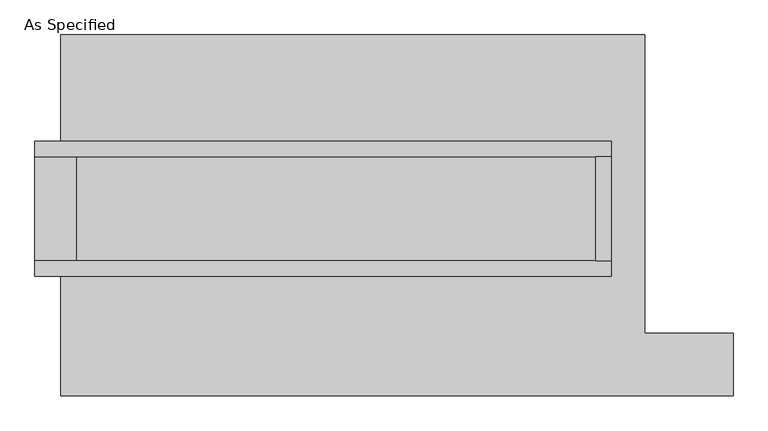
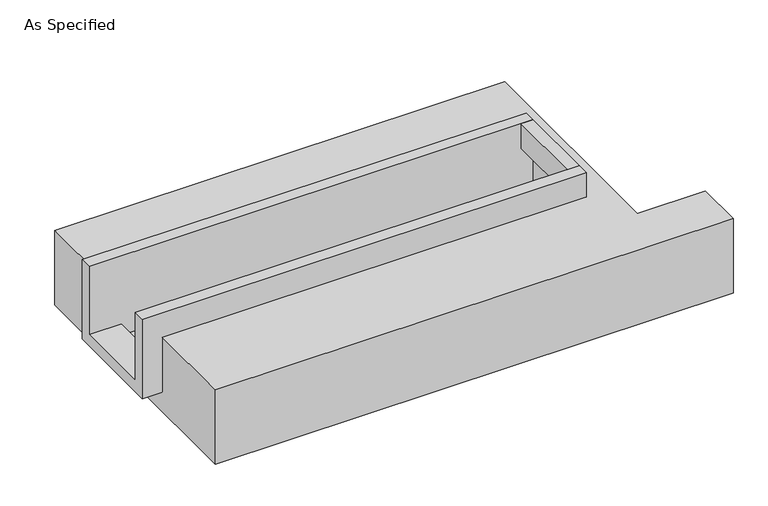
"""IFC4 building model written with IfcOpenShell, lengths in millimetres: proxy geometry, As Specified."""

from ifc_helpers import new_model, si_unit, frame, origin, place, context, project, spatial, polyline, outline, extrude, faceted_brep, source, transform, mapped, element, save


def as_specified_8bca1e1c(model_context):
    return source(origin(), model_context, "Body", "SolidModel", [
        extrude(outline(polyline([(1187.45, 285.75), (1263.65, 285.75), (1263.65, -222.25), (1187.45, -222.25), (1187.45, 285.75)])), frame((0.0, 0.0, -25.4), z_axis=(0.0, 0.0, 1.0), x_axis=(1.0, 0.0, 0.0)), (0.0, 0.0, 1.0), 165.1),
        faceted_brep([(1263.65, 285.75, 139.7), (1263.65, 285.75, -317.5), (1263.65, -222.25, -317.5), (1263.65, -222.25, 139.7), (1263.65, -298.45, 139.7), (1263.65, -298.45, -393.7), (1263.65, 361.95, -393.7), (1263.65, 361.95, 139.7), (-1555.75, 285.75, 139.7), (-1555.75, 361.95, 139.7), (-1555.75, 361.95, -393.7), (-1555.75, -298.45, -393.7), (-1555.75, -298.45, 139.7), (-1555.75, -222.25, 139.7), (-1555.75, -222.25, -317.5), (-1555.75, 285.75, -317.5), (-1352.55, 285.75, -393.7), (-1352.55, -222.25, -393.7), (1187.45, -222.25, -393.7), (1187.45, 285.75, -393.7), (1187.45, -222.25, -317.5), (-1352.55, -222.25, -317.5), (1187.45, 285.75, -317.5), (-1352.55, 285.75, -317.5)], [[[0, 1, 2, 3, 4, 5, 6, 7]], [[8, 9, 10, 11, 12, 13, 14, 15]], [[0, 7, 9, 8]], [[7, 6, 10, 9]], [[6, 5, 11, 10], [16, 17, 18, 19]], [[4, 3, 13, 12]], [[3, 2, 20, 18, 17, 21, 14, 13]], [[2, 1, 22, 20]], [[15, 14, 21, 23]], [[1, 0, 8, 15, 23, 16, 19, 22]], [[21, 17, 16, 23]], [[18, 20, 22, 19]], [[5, 4, 12, 11]]]),
        faceted_brep([(-1428.75, 882.65, -523.9742188), (1428.75, 882.65, -523.9742188), (1428.75, -577.85, -523.9742188), (1860.55, -577.85, -523.9742188), (1860.55, -882.65, -523.9742188), (-1428.75, -882.65, -523.9742188), (1428.75, 882.65, -25.4), (-1428.75, 882.65, -25.4), (-1428.75, 361.95, -25.4), (1263.65, 361.95, -25.4), (1263.65, -298.45, -25.4), (-1428.75, -298.45, -25.4), (-1428.75, -882.65, -25.4), (1860.55, -882.65, -25.4), (1860.55, -577.85, -25.4), (1428.75, -577.85, -25.4), (-1428.75, -298.45, -393.7), (-1428.75, 361.95, -393.7), (1263.65, 361.95, -393.7), (1263.65, -298.45, -393.7)], [[[0, 1, 2, 3, 4, 5]], [[6, 7, 8, 9, 10, 11, 12, 13, 14, 15]], [[1, 0, 7, 6]], [[7, 0, 5, 12, 11, 16, 17, 8]], [[1, 6, 15, 2]], [[5, 4, 13, 12]], [[18, 19, 10, 9]], [[17, 18, 9, 8]], [[19, 18, 17, 16]], [[19, 16, 11, 10]], [[4, 3, 14, 13]], [[3, 2, 15, 14]]]),
    ])


if __name__ == "__main__":
    model = new_model("IFC4")
    model_context = context("Model", 3, world=origin())
    ifc_project = project(units=[si_unit("LENGTHUNIT", "METRE", prefix="MILLI")], contexts=[model_context])
    site = spatial("IfcSite", under=ifc_project)
    building = spatial("IfcBuilding", under=site)
    placement = place(None, origin())
    as_specified_shape = as_specified_8bca1e1c(model_context)
    element("IfcBuildingElementProxy", 1, Name="As Specified", ObjectType="As Specified", at=placement, inside=building, context=model_context, shape_type="MappedRepresentation", body=[
        mapped(as_specified_shape, transform((0.0, 0.0, 0.0), x_axis=(1.0, 0.0, 0.0), y_axis=(0.0, 1.0, 0.0), z_axis=(0.0, 0.0, 1.0))),
    ])
    save(model, "model.ifc")
